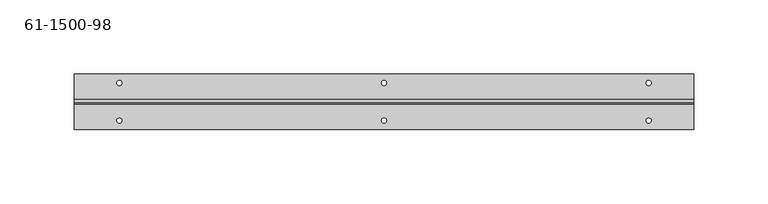
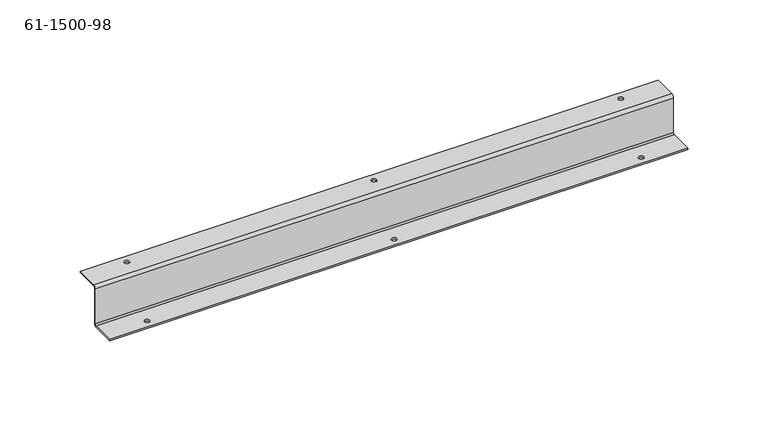
"""IFC4 building model written with IfcOpenShell, lengths in millimetres: proxy geometry, 61-1500-98."""

from ifc_helpers import new_model, si_unit, frame, origin, place, context, project, spatial, polyline, circle_curve, source, transform, mapped, element, save
from ifc_brep_helpers import plane_surface, cylinder_surface, revolved_surface, advanced_brep


def proxy_61_1500_98_e54c504d(model_context):
    return source(origin(), model_context, "Body", "AdvancedBrep", [
        advanced_brep(
        [(-208.1634563, 16.9394298, 0.0), (-208.1634563, 16.9394298, 1.00584), (-211.5924563, 16.9394298, 1.00584), (-211.5924563, 16.9394298, 0.0), (-30.3634563, 16.9394298, 0.0), (-30.3634563, 16.9394298, 1.00584), (-33.7924563, 16.9394298, 1.00584), (-33.7924563, 16.9394298, 0.0), (147.4365437, 16.9394298, 0.0), (147.4365437, 16.9394298, 1.00584), (144.0075437, 16.9394298, 1.00584), (144.0075437, 16.9394298, 0.0), (147.4365437, -8.4605702, -29.47416), (147.4365437, -8.4605702, -28.46832), (144.0075437, -8.4605702, -28.46832), (144.0075437, -8.4605702, -29.47416), (-30.3634563, -8.4605702, -29.47416), (-30.3634563, -8.4605702, -28.46832), (-33.7924563, -8.4605702, -28.46832), (-33.7924563, -8.4605702, -29.47416), (-208.1634563, -8.4605702, -29.47416), (-208.1634563, -8.4605702, -28.46832), (-211.5924563, -8.4605702, -28.46832), (-211.5924563, -8.4605702, -29.47416), (175.8845437, 2.7306698, -29.47416), (-240.0404563, 2.7306698, -29.47416), (-240.0404563, 4.7423498, -27.46248), (175.8845437, 4.7423498, -27.46248), (-240.0404563, 2.7306698, -28.46832), (175.8845437, 2.7306698, -28.46832), (175.8845437, 3.7365098, -27.46248), (-240.0404563, 3.7365098, -27.46248), (175.8845437, 3.7365098, -1.00584), (-240.0404563, 3.7365098, -1.00584), (175.8845437, 5.7481898, 1.00584), (-240.0404563, 5.7481898, 1.00584), (175.8845437, 4.7423498, -1.00584), (-240.0404563, 4.7423498, -1.00584), (-240.0404563, 5.7481898, 0.0), (175.8845437, 5.7481898, 0.0), (175.8845437, 22.7865098, 1.00584), (-240.0404563, 22.7865098, 1.00584), (175.8845437, 22.7865098, 0.0), (-240.0404563, 22.7865098, 0.0), (-240.0404563, -14.3076502, -29.47416), (-240.0404563, -14.3076502, -28.46832), (175.8845437, -14.3076502, -29.47416), (175.8845437, -14.3076502, -28.46832)],
        [
            (0, 1),
            (1, 2, circle_curve(frame((-209.8779563, 16.9394298, 1.00584), z_axis=(0.0, 0.0, 1.0), x_axis=(1.0, 0.0, 0.0)), 1.7145)),
            (2, 3),
            (3, 0, circle_curve(frame((-209.8779563, 16.9394298, 0.0), z_axis=(0.0, 0.0, -1.0), x_axis=(1.0, 0.0, 0.0)), 1.7145)),
            (4, 5),
            (5, 6, circle_curve(frame((-32.0779563, 16.9394298, 1.00584), z_axis=(0.0, 0.0, 1.0), x_axis=(1.0, 0.0, 0.0)), 1.7145)),
            (6, 7),
            (7, 4, circle_curve(frame((-32.0779563, 16.9394298, 0.0), z_axis=(0.0, 0.0, -1.0), x_axis=(1.0, 0.0, 0.0)), 1.7145)),
            (8, 9),
            (9, 10, circle_curve(frame((145.7220437, 16.9394298, 1.00584), z_axis=(0.0, 0.0, 1.0), x_axis=(1.0, 0.0, 0.0)), 1.7145)),
            (10, 11),
            (11, 8, circle_curve(frame((145.7220437, 16.9394298, 0.0), z_axis=(0.0, 0.0, -1.0), x_axis=(1.0, 0.0, 0.0)), 1.7145)),
            (12, 13),
            (13, 14, circle_curve(frame((145.7220437, -8.4605702, -28.46832), z_axis=(0.0, 0.0, 1.0), x_axis=(1.0, 0.0, 0.0)), 1.7145)),
            (14, 15),
            (15, 12, circle_curve(frame((145.7220437, -8.4605702, -29.47416), z_axis=(0.0, 0.0, -1.0), x_axis=(1.0, 0.0, 0.0)), 1.7145)),
            (16, 17),
            (17, 18, circle_curve(frame((-32.0779563, -8.4605702, -28.46832), z_axis=(0.0, 0.0, 1.0), x_axis=(1.0, 0.0, 0.0)), 1.7145)),
            (18, 19),
            (19, 16, circle_curve(frame((-32.0779563, -8.4605702, -29.47416), z_axis=(0.0, 0.0, -1.0), x_axis=(1.0, 0.0, 0.0)), 1.7145)),
            (20, 21),
            (21, 22, circle_curve(frame((-209.8779563, -8.4605702, -28.46832), z_axis=(0.0, 0.0, 1.0), x_axis=(1.0, 0.0, 0.0)), 1.7145)),
            (22, 23),
            (23, 20, circle_curve(frame((-209.8779563, -8.4605702, -29.47416), z_axis=(0.0, 0.0, -1.0), x_axis=(1.0, 0.0, 0.0)), 1.7145)),
            (20, 23, circle_curve(frame((-209.8779563, -8.4605702, -29.47416), z_axis=(0.0, 0.0, -1.0), x_axis=(1.0, 0.0, 0.0)), 1.7145)),
            (22, 21, circle_curve(frame((-209.8779563, -8.4605702, -28.46832), z_axis=(0.0, 0.0, 1.0), x_axis=(1.0, 0.0, 0.0)), 1.7145)),
            (16, 19, circle_curve(frame((-32.0779563, -8.4605702, -29.47416), z_axis=(0.0, 0.0, -1.0), x_axis=(1.0, 0.0, 0.0)), 1.7145)),
            (18, 17, circle_curve(frame((-32.0779563, -8.4605702, -28.46832), z_axis=(0.0, 0.0, 1.0), x_axis=(1.0, 0.0, 0.0)), 1.7145)),
            (12, 15, circle_curve(frame((145.7220437, -8.4605702, -29.47416), z_axis=(0.0, 0.0, -1.0), x_axis=(1.0, 0.0, 0.0)), 1.7145)),
            (14, 13, circle_curve(frame((145.7220437, -8.4605702, -28.46832), z_axis=(0.0, 0.0, 1.0), x_axis=(1.0, 0.0, 0.0)), 1.7145)),
            (24, 25),
            (25, 26, circle_curve(frame((-240.0404563, 2.7306698, -27.46248), z_axis=(1.0, 0.0, 0.0), x_axis=(0.0, 1.0, 0.0)), 2.01168)),
            (26, 27),
            (27, 24, circle_curve(frame((175.8845437, 2.7306698, -27.46248), z_axis=(-1.0, 0.0, 0.0), x_axis=(0.0, 1.0, 0.0)), 2.01168)),
            (28, 29),
            (29, 30, circle_curve(frame((175.8845437, 2.7306698, -27.46248), z_axis=(1.0, 0.0, 0.0), x_axis=(0.0, 1.0, 0.0)), 1.00584)),
            (30, 31),
            (31, 28, circle_curve(frame((-240.0404563, 2.7306698, -27.46248), z_axis=(-1.0, 0.0, 0.0), x_axis=(0.0, 1.0, 0.0)), 1.00584)),
            (30, 32),
            (32, 33),
            (33, 31),
            (32, 34, circle_curve(frame((175.8845437, 5.7481898, -1.00584), z_axis=(-1.0, 0.0, 0.0), x_axis=(0.0, 0.0, 1.0)), 2.01168)),
            (34, 35),
            (35, 33, circle_curve(frame((-240.0404563, 5.7481898, -1.00584), z_axis=(1.0, 0.0, 0.0), x_axis=(0.0, 0.0, 1.0)), 2.01168)),
            (36, 37),
            (37, 38, circle_curve(frame((-240.0404563, 5.7481898, -1.00584), z_axis=(-1.0, 0.0, 0.0), x_axis=(0.0, 0.0, 1.0)), 1.00584)),
            (38, 39),
            (39, 36, circle_curve(frame((175.8845437, 5.7481898, -1.00584), z_axis=(1.0, 0.0, 0.0), x_axis=(0.0, 0.0, 1.0)), 1.00584)),
            (34, 40),
            (40, 41),
            (41, 35),
            (1, 2, circle_curve(frame((-209.8779563, 16.9394298, 1.00584), z_axis=(0.0, 0.0, -1.0), x_axis=(1.0, 0.0, 0.0)), 1.7145)),
            (5, 6, circle_curve(frame((-32.0779563, 16.9394298, 1.00584), z_axis=(0.0, 0.0, -1.0), x_axis=(1.0, 0.0, 0.0)), 1.7145)),
            (9, 10, circle_curve(frame((145.7220437, 16.9394298, 1.00584), z_axis=(0.0, 0.0, -1.0), x_axis=(1.0, 0.0, 0.0)), 1.7145)),
            (8, 11, circle_curve(frame((145.7220437, 16.9394298, 0.0), z_axis=(0.0, 0.0, -1.0), x_axis=(1.0, 0.0, 0.0)), 1.7145)),
            (4, 7, circle_curve(frame((-32.0779563, 16.9394298, 0.0), z_axis=(0.0, 0.0, -1.0), x_axis=(1.0, 0.0, 0.0)), 1.7145)),
            (0, 3, circle_curve(frame((-209.8779563, 16.9394298, 0.0), z_axis=(0.0, 0.0, -1.0), x_axis=(1.0, 0.0, 0.0)), 1.7145)),
            (40, 42),
            (42, 43),
            (43, 41),
            (38, 43),
            (42, 39),
            (26, 37),
            (36, 27),
            (25, 44),
            (44, 45),
            (45, 28),
            (24, 46),
            (46, 44),
            (29, 47),
            (47, 46),
            (47, 45),
        ],
        [
            revolved_surface(polyline([(-208.1634563, 16.9394298, 1.0058399999999992), (-208.1634563, 16.9394298, 0.0)]), (-209.8779563, 16.9394298, -8.51916), (0.0, 0.0, 1.0)),
            revolved_surface(polyline([(-30.363456299999996, 16.9394298, 1.0058399999999992), (-30.363456299999996, 16.9394298, 0.0)]), (-32.0779563, 16.9394298, -8.51916), (0.0, 0.0, 1.0)),
            revolved_surface(polyline([(147.4365437, 16.9394298, 1.0058399999999992), (147.4365437, 16.9394298, 0.0)]), (145.7220437, 16.9394298, -8.51916), (0.0, 0.0, 1.0)),
            revolved_surface(polyline([(147.4365437, -8.4605702, -28.46832), (147.4365437, -8.4605702, -29.47416)]), (145.7220437, -8.4605702, -37.99332), (0.0, 0.0, 1.0)),
            revolved_surface(polyline([(-30.363456299999996, -8.4605702, -28.46832), (-30.363456299999996, -8.4605702, -29.47416)]), (-32.0779563, -8.4605702, -37.99332), (0.0, 0.0, 1.0)),
            revolved_surface(polyline([(-208.1634563, -8.4605702, -28.46832), (-208.1634563, -8.4605702, -29.47416)]), (-209.8779563, -8.4605702, -37.99332), (0.0, 0.0, 1.0)),
            cylinder_surface(frame((-32.0779563, 2.7306698, -27.46248), z_axis=(-1.0, 0.0, 0.0), x_axis=(0.0, 1.0, 0.0)), 2.01168),
            revolved_surface(polyline([(-240.04045629999996, 3.7365098, -27.46248), (175.8845437, 3.7365098, -27.46248)]), (-32.0779563, 2.7306698, -27.46248), (-1.0, 0.0, 0.0)),
            plane_surface(frame((-32.0779563, 3.7365098, -14.23416), z_axis=(0.0, -1.0, 0.0), x_axis=(0.0, 0.0, 1.0))),
            cylinder_surface(frame((-32.0779563, 5.7481898, -1.00584), z_axis=(1.0, 0.0, 0.0), x_axis=(0.0, 0.0, 1.0)), 2.01168),
            revolved_surface(polyline([(175.8845437, 5.7481898, 0.0), (-240.04045629999996, 5.7481898, 0.0)]), (-32.0779563, 5.7481898, -1.00584), (1.0, 0.0, 0.0)),
            plane_surface(frame((-32.0779563, 13.2615098, 1.00584), z_axis=(0.0, 0.0, 1.0), x_axis=(1.0, 0.0, 0.0))),
            plane_surface(frame((-240.0404563, 22.7865098, 0.0), z_axis=(0.0, 1.0, 0.0), x_axis=(0.0, 0.0, 1.0))),
            plane_surface(frame((-32.0779563, 13.2615098, 0.0), z_axis=(0.0, 0.0, -1.0), x_axis=(1.0, 0.0, 0.0))),
            plane_surface(frame((-32.0779563, 4.7423498, -14.23416), z_axis=(0.0, 1.0, 0.0), x_axis=(0.0, 0.0, 1.0))),
            plane_surface(frame((-240.0404563, -14.3076502, -29.47416), z_axis=(-1.0, 0.0, 0.0), x_axis=(0.0, 0.0, 1.0))),
            plane_surface(frame((-32.0779563, -4.7826502, -29.47416), z_axis=(0.0, 0.0, -1.0), x_axis=(1.0, 0.0, 0.0))),
            plane_surface(frame((175.8845437, 4.7423498, -29.47416), z_axis=(1.0, 0.0, 0.0), x_axis=(0.0, 0.0, -1.0))),
            plane_surface(frame((175.8845437, -14.3076502, -29.47416), z_axis=(0.0, -1.0, 0.0), x_axis=(0.0, 0.0, -1.0))),
            plane_surface(frame((-32.0779563, -4.7826502, -28.46832), z_axis=(0.0, 0.0, 1.0), x_axis=(1.0, 0.0, 0.0))),
        ],
        [
            (0, [[1, 2, 3, 4]]),
            (1, [[5, 6, 7, 8]]),
            (2, [[9, 10, 11, 12]]),
            (3, [[13, 14, 15, 16]]),
            (4, [[17, 18, 19, 20]]),
            (5, [[21, 22, 23, 24]]),
            (5, [[-21, 25, -23, 26]]),
            (4, [[-17, 27, -19, 28]]),
            (3, [[-13, 29, -15, 30]]),
            (6, [[31, 32, 33, 34]]),
            (7, [[35, 36, 37, 38]]),
            (8, [[-37, 39, 40, 41]]),
            (9, [[-40, 42, 43, 44]]),
            (10, [[45, 46, 47, 48]]),
            (11, [[-43, 49, 50, 51], [52, -2], [53, -6], [54, -10]]),
            (2, [[-9, 55, -11, -54]]),
            (1, [[-5, 56, -7, -53]]),
            (0, [[-1, 57, -3, -52]]),
            (12, [[-50, 58, 59, 60]]),
            (13, [[-47, 61, -59, 62], [-55, -12], [-56, -8], [-57, -4]]),
            (14, [[-33, 63, -45, 64]]),
            (15, [[65, 66, 67, -38, -41, -44, -51, -60, -61, -46, -63, -32]]),
            (16, [[-31, 68, 69, -65], [-25, -24], [-27, -20], [-29, -16]]),
            (17, [[70, 71, -68, -34, -64, -48, -62, -58, -49, -42, -39, -36]]),
            (18, [[72, -66, -69, -71]]),
            (19, [[-35, -67, -72, -70], [-26, -22], [-28, -18], [-30, -14]]),
        ],
    ),
    ])


if __name__ == "__main__":
    model = new_model("IFC4")
    model_context = context("Model", 3, world=origin())
    ifc_project = project(units=[si_unit("LENGTHUNIT", "METRE", prefix="MILLI")], contexts=[model_context])
    site = spatial("IfcSite", under=ifc_project)
    building = spatial("IfcBuilding", under=site)
    placement = place(None, origin())
    proxy_61_1500_98_shape = proxy_61_1500_98_e54c504d(model_context)
    element("IfcBuildingElementProxy", 1, Name="61-1500-98", ObjectType="61-1500-98", at=placement, inside=building, context=model_context, shape_type="MappedRepresentation", body=[
        mapped(proxy_61_1500_98_shape, transform((0.0, 0.0, 0.0), x_axis=(1.0, 0.0, 0.0), y_axis=(0.0, 1.0, 0.0), z_axis=(0.0, 0.0, 1.0))),
    ])
    save(model, "model.ifc")
